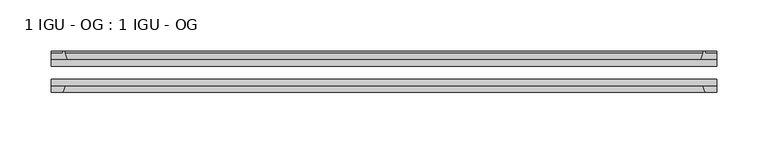
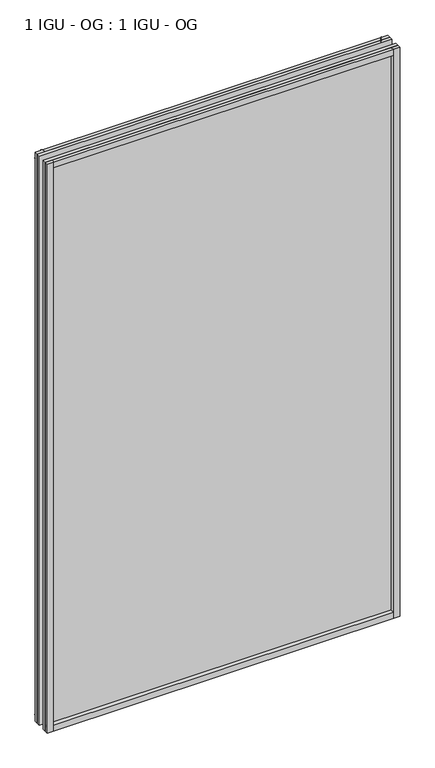
"""IFC4 building model written with IfcOpenShell, lengths in millimetres: plate geometry, 1 IGU - OG : 1 IGU - OG."""

from ifc_helpers import new_model, si_unit, point, frame, frame_2d, origin, place, context, project, spatial, polyline, circle_curve, trimmed, segment, composite_curve, outline, extrude, source, transform, mapped, element, save


def plate_1_igu_og_1_igu_og_d51538b2(model_context):
    return source(origin(), model_context, "Body", "SweptSolid", [
        extrude(outline(polyline([(342.475205, -31.75), (342.475205, -38.1), (-304.375205, -38.1), (-304.375205, -31.75), (342.475205, -31.75)])), frame((0.0, 0.0, -11.1125), z_axis=(0.0, 0.0, 1.0), x_axis=(1.0, 0.0, 0.0)), (0.0, 0.0, 1.0), 1101.725),
        extrude(outline(polyline([(-304.375205, -12.7), (342.475205, -12.7), (342.475205, -19.05), (-304.375205, -19.05), (-304.375205, -12.7)])), frame((0.0, 0.0, -11.1125), z_axis=(0.0, 0.0, 1.0), x_axis=(1.0, 0.0, 0.0)), (0.0, 0.0, 1.0), 1101.725),
        extrude(outline(composite_curve([segment(polyline([(-289.0394141, -12.7), (-304.375205, -12.7), (-304.375205, -6.35), (-293.262705, -6.35), (-293.262705, -4.7751661), (-292.333291, -4.7751661)]), True, "CONTINUOUS"), segment(trimmed(circle_curve(frame_2d((-292.333291, -5.5371661)), 0.762), [point((-292.333291, -4.7751661))], [point((-291.5910811, -5.364631))], False, "CARTESIAN"), True, "CONTINUOUS"), segment(trimmed(circle_curve(frame_2d((-255.9618628, 2.9177851)), 36.5792237), [point((-291.5910811, -5.364631))], [point((-289.0394141, -12.7))], True, "CARTESIAN"), True, "CONTINUOUS")], self_intersect=False)), frame((0.0, 0.0, -11.1125), z_axis=(0.0, 0.0, 1.0), x_axis=(1.0, 0.0, 0.0)), (0.0, 0.0, 1.0), 1101.725),
        extrude(outline(polyline([(-304.375205, -38.1), (-291.1574279, -38.1), (-293.262705, -44.45), (-304.375205, -44.45), (-304.375205, -38.1)])), frame((0.0, 0.0, -11.1125), z_axis=(0.0, 0.0, 1.0), x_axis=(1.0, 0.0, 0.0)), (0.0, 0.0, 1.0), 1101.725),
        extrude(outline(composite_curve([segment(trimmed(circle_curve(frame_2d((330.433291, -5.5371661)), 0.762), [point((329.6910811, -5.364631))], [point((330.433291, -4.7751661))], False, "CARTESIAN"), True, "CONTINUOUS"), segment(polyline([(330.433291, -4.7751661), (331.362705, -4.7751661), (331.362705, -6.35), (342.475205, -6.35), (342.475205, -12.7), (327.1394141, -12.7)]), True, "CONTINUOUS"), segment(trimmed(circle_curve(frame_2d((294.0618628, 2.9177851)), 36.5792237), [point((327.1394141, -12.7))], [point((329.6910811, -5.364631))], True, "CARTESIAN"), True, "CONTINUOUS")], self_intersect=False)), frame((0.0, 0.0, -11.1125), z_axis=(0.0, 0.0, 1.0), x_axis=(1.0, 0.0, 0.0)), (0.0, 0.0, 1.0), 1101.725),
        extrude(outline(polyline([(329.2574279, -38.1), (342.475205, -38.1), (342.475205, -44.45), (331.362705, -44.45), (329.2574279, -38.1)])), frame((0.0, 0.0, -11.1125), z_axis=(0.0, 0.0, 1.0), x_axis=(1.0, 0.0, 0.0)), (0.0, 0.0, 1.0), 1101.725),
        extrude(outline(composite_curve([segment(polyline([(-12.7, -11.1125), (-12.7, 4.2232909)]), True, "CONTINUOUS"), segment(trimmed(circle_curve(frame_2d((2.9177851, 37.3008421)), 36.5792237), [point((-12.7, 4.2232909))], [point((-5.364631, 1.6716239))], True, "CARTESIAN"), True, "CONTINUOUS"), segment(trimmed(circle_curve(frame_2d((-5.5371661, 0.929414)), 0.762), [point((-5.364631, 1.6716239))], [point((-4.7751661, 0.929414))], False, "CARTESIAN"), True, "CONTINUOUS"), segment(polyline([(-4.7751661, 0.929414), (-4.7751661, 0.0), (-6.35, 0.0), (-6.35, -11.1125), (-12.7, -11.1125)]), True, "CONTINUOUS")], self_intersect=False)), frame((-304.375205, 0.0, 0.0), z_axis=(1.0, 0.0, 0.0), x_axis=(0.0, 1.0, 0.0)), (0.0, 0.0, 1.0), 646.85041),
        extrude(outline(polyline([(-38.1, 2.1052771), (-38.1, -11.1125), (-44.45, -11.1125), (-44.45, 0.0), (-38.1, 2.1052771)])), frame((-304.375205, 0.0, 0.0), z_axis=(1.0, 0.0, 0.0), x_axis=(0.0, 1.0, 0.0)), (0.0, 0.0, 1.0), 646.85041),
        extrude(outline(composite_curve([segment(trimmed(circle_curve(frame_2d((2.9177851, 1042.1991578)), 36.5792237), [point((-5.364631, 1077.8283761))], [point((-12.7, 1075.2767091))], True, "CARTESIAN"), True, "CONTINUOUS"), segment(polyline([(-12.7, 1075.2767091), (-12.7, 1090.6125), (-6.35, 1090.6125), (-6.35, 1079.5), (-4.7751661, 1079.5), (-4.7751661, 1078.570586)]), True, "CONTINUOUS"), segment(trimmed(circle_curve(frame_2d((-5.5371661, 1078.570586)), 0.762), [point((-4.7751661, 1078.570586))], [point((-5.364631, 1077.8283761))], False, "CARTESIAN"), True, "CONTINUOUS")], self_intersect=False)), frame((-304.375205, 0.0, 0.0), z_axis=(1.0, 0.0, 0.0), x_axis=(0.0, 1.0, 0.0)), (0.0, 0.0, 1.0), 646.85041),
        extrude(outline(polyline([(-38.1, 1090.6125), (-38.1, 1077.3947229), (-44.45, 1079.5), (-44.45, 1090.6125), (-38.1, 1090.6125)])), frame((-304.375205, 0.0, 0.0), z_axis=(1.0, 0.0, 0.0), x_axis=(0.0, 1.0, 0.0)), (0.0, 0.0, 1.0), 646.85041),
    ])


if __name__ == "__main__":
    model = new_model("IFC4")
    model_context = context("Model", 3, world=origin())
    ifc_project = project(units=[si_unit("LENGTHUNIT", "METRE", prefix="MILLI")], contexts=[model_context])
    site = spatial("IfcSite", under=ifc_project)
    building = spatial("IfcBuilding", under=site)
    placement = place(None, origin())
    plate_1_igu_og_1_igu_og_shape = plate_1_igu_og_1_igu_og_d51538b2(model_context)
    element("IfcPlate", 1, ObjectType="1 IGU - OG : 1 IGU - OG", at=placement, inside=building, context=model_context, shape_type="MappedRepresentation", body=[
        mapped(plate_1_igu_og_1_igu_og_shape, transform((0.0, 0.0, 0.0), x_axis=(1.0, 0.0, 0.0), y_axis=(0.0, 1.0, 0.0), z_axis=(0.0, 0.0, 1.0))),
    ])
    save(model, "model.ifc")
